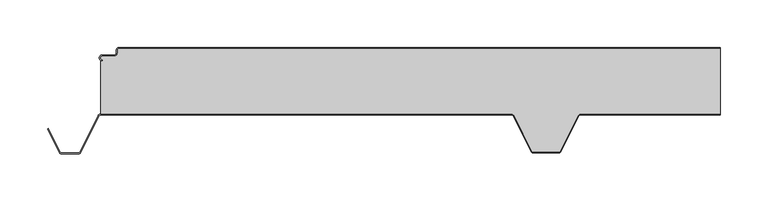
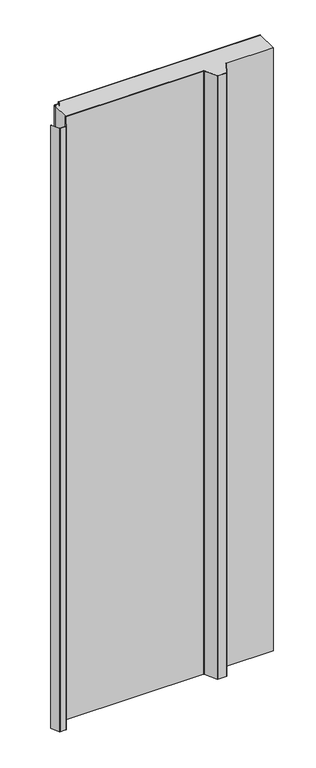
"""IFC4 building model written with IfcOpenShell, lengths in millimetres: proxy geometry."""

from ifc_helpers import new_model, si_unit, point, frame_2d, origin, origin_with_axes, place, context, project, spatial, polyline, circle_curve, trimmed, segment, composite_curve, outline, extrude, source, transform, mapped, element, save


def generic_models_3807de4c(model_context):
    return source(origin(), model_context, "Body", "SweptSolid", [
        extrude(outline(composite_curve([segment(trimmed(circle_curve(frame_2d((-448.7436881, -2.5)), 1.7), [point((-448.7436881, -0.8))], [point((-450.4436881, -2.5))], True, "CARTESIAN"), True, "CONTINUOUS"), segment(polyline([(-450.4436881, -2.5), (-450.4436881, -5.5)]), True, "CONTINUOUS"), segment(trimmed(circle_curve(frame_2d((-453.7436881, -5.5)), 3.3), [point((-450.4436881, -5.5))], [point((-453.7436881, -8.8))], False, "CARTESIAN"), True, "CONTINUOUS"), segment(polyline([(-453.7436881, -8.8), (-466.2436881, -8.8)]), True, "CONTINUOUS"), segment(trimmed(circle_curve(frame_2d((-466.2436881, -11.0)), 2.2), [point((-466.2436881, -8.8))], [point((-466.2436881, -13.2))], True, "CARTESIAN"), True, "CONTINUOUS"), segment(polyline([(-466.2436881, -13.2), (-466.2436881, -14.0)]), True, "CONTINUOUS"), segment(trimmed(circle_curve(frame_2d((-466.2436881, -11.0)), 3.0), [point((-466.2436881, -14.0))], [point((-466.2436881, -8.0))], False, "CARTESIAN"), True, "CONTINUOUS"), segment(polyline([(-466.2436881, -8.0), (-453.7436881, -8.0)]), True, "CONTINUOUS"), segment(trimmed(circle_curve(frame_2d((-453.7436881, -5.5)), 2.5), [point((-453.7436881, -8.0))], [point((-451.2436881, -5.5))], True, "CARTESIAN"), True, "CONTINUOUS"), segment(polyline([(-451.2436881, -5.5), (-451.2436881, -2.5)]), True, "CONTINUOUS"), segment(trimmed(circle_curve(frame_2d((-448.7436881, -2.5)), 2.5), [point((-451.2436881, -2.5))], [point((-448.7436881, 0.0))], False, "CARTESIAN"), True, "CONTINUOUS"), segment(polyline([(-448.7436881, 0.0), (183.0735054, 0.0), (183.0735054, -0.8), (-448.7436881, -0.8)]), True, "CONTINUOUS")], self_intersect=False)), origin_with_axes(), (0.0, 0.0, 1.0), 2000.0),
        extrude(outline(composite_curve([segment(trimmed(circle_curve(frame_2d((-466.2436881, -11.0)), 2.2), [point((-466.2436881, -13.2))], [point((-466.2436881, -8.8))], False, "CARTESIAN"), True, "CONTINUOUS"), segment(polyline([(-466.2436881, -8.8), (-453.7436881, -8.8)]), True, "CONTINUOUS"), segment(trimmed(circle_curve(frame_2d((-453.7436881, -5.5)), 3.3), [point((-453.7436881, -8.8))], [point((-450.4436881, -5.5))], True, "CARTESIAN"), True, "CONTINUOUS"), segment(polyline([(-450.4436881, -5.5), (-450.4436881, -2.5)]), True, "CONTINUOUS"), segment(trimmed(circle_curve(frame_2d((-448.7436881, -2.5)), 1.7), [point((-450.4436881, -2.5))], [point((-448.7436881, -0.8))], False, "CARTESIAN"), True, "CONTINUOUS"), segment(polyline([(-448.7436881, -0.8), (183.0735054, -0.8), (183.0735054, -70.0), (36.4222721, -70.0)]), True, "CONTINUOUS"), segment(trimmed(circle_curve(frame_2d((36.4222721, -73.1)), 3.1), [point((36.4222721, -70.0))], [point((33.6488557, -71.715023))], True, "CARTESIAN"), True, "CONTINUOUS"), segment(polyline([(33.6488557, -71.715023), (14.9197036, -109.2201502)]), True, "CONTINUOUS"), segment(trimmed(circle_curve(frame_2d((13.5777279, -108.55)), 1.5), [point((14.9197036, -109.2201502))], [point((13.5777279, -110.05))], False, "CARTESIAN"), True, "CONTINUOUS"), segment(polyline([(13.5777279, -110.05), (-13.5777279, -110.05)]), True, "CONTINUOUS"), segment(trimmed(circle_curve(frame_2d((-13.5777279, -108.55)), 1.5), [point((-13.5777279, -110.05))], [point((-14.9197036, -109.2201502))], False, "CARTESIAN"), True, "CONTINUOUS"), segment(polyline([(-14.9197036, -109.2201502), (-33.6488557, -71.715023)]), True, "CONTINUOUS"), segment(trimmed(circle_curve(frame_2d((-36.4222721, -73.1)), 3.1), [point((-33.6488557, -71.715023))], [point((-36.4222721, -70.0))], True, "CARTESIAN"), True, "CONTINUOUS"), segment(polyline([(-36.4222721, -70.0), (-467.612692, -70.0), (-467.612692, -13.6694247)]), True, "CONTINUOUS"), segment(trimmed(circle_curve(frame_2d((-466.2436881, -11.0)), 3.0), [point((-467.612692, -13.6694247))], [point((-466.2436881, -14.0))], True, "CARTESIAN"), True, "CONTINUOUS"), segment(polyline([(-466.2436881, -14.0), (-466.2436881, -13.2)]), True, "CONTINUOUS")], self_intersect=False)), origin_with_axes(), (0.0, 0.0, 1.0), 2000.0),
        extrude(outline(composite_curve([segment(polyline([(-523.5365904, -85.7174495), (-522.82087, -85.3600361), (-510.4107041, -110.2113932)]), True, "CONTINUOUS"), segment(trimmed(circle_curve(frame_2d((-509.0687284, -109.541243)), 1.5), [point((-510.4107041, -110.2113932))], [point((-509.0687284, -111.041243))], True, "CARTESIAN"), True, "CONTINUOUS"), segment(polyline([(-509.0687284, -111.041243), (-490.9312716, -111.041243)]), True, "CONTINUOUS"), segment(trimmed(circle_curve(frame_2d((-490.9312716, -109.541243)), 1.5), [point((-490.9312716, -111.041243))], [point((-489.5890038, -110.210808))], True, "CARTESIAN"), True, "CONTINUOUS"), segment(polyline([(-489.5890038, -110.210808), (-470.3867121, -71.7162325)]), True, "CONTINUOUS"), segment(trimmed(circle_curve(frame_2d((-467.612692, -73.1)), 3.1), [point((-470.3867121, -71.7162325))], [point((-467.612692, -70.0))], False, "CARTESIAN"), True, "CONTINUOUS"), segment(polyline([(-467.612692, -70.0), (-36.4222721, -70.0)]), True, "CONTINUOUS"), segment(trimmed(circle_curve(frame_2d((-36.4222721, -73.1)), 3.1), [point((-36.4222721, -70.0))], [point((-33.6488557, -71.715023))], False, "CARTESIAN"), True, "CONTINUOUS"), segment(polyline([(-33.6488557, -71.715023), (-14.9197036, -109.2201502)]), True, "CONTINUOUS"), segment(trimmed(circle_curve(frame_2d((-13.5777279, -108.55)), 1.5), [point((-14.9197036, -109.2201502))], [point((-13.5777279, -110.05))], True, "CARTESIAN"), True, "CONTINUOUS"), segment(polyline([(-13.5777279, -110.05), (13.5777279, -110.05)]), True, "CONTINUOUS"), segment(trimmed(circle_curve(frame_2d((13.5777279, -108.55)), 1.5), [point((13.5777279, -110.05))], [point((14.9197036, -109.2201502))], True, "CARTESIAN"), True, "CONTINUOUS"), segment(polyline([(14.9197036, -109.2201502), (33.6488557, -71.715023)]), True, "CONTINUOUS"), segment(trimmed(circle_curve(frame_2d((36.4222721, -73.1)), 3.1), [point((33.6488557, -71.715023))], [point((36.4222721, -70.0))], False, "CARTESIAN"), True, "CONTINUOUS"), segment(polyline([(36.4222721, -70.0), (183.0735054, -70.0), (183.0735054, -70.8), (36.4222721, -70.8)]), True, "CONTINUOUS"), segment(trimmed(circle_curve(frame_2d((36.4222721, -73.1)), 2.3), [point((36.4222721, -70.8))], [point((34.3645761, -72.0724364))], True, "CARTESIAN"), True, "CONTINUOUS"), segment(polyline([(34.3645761, -72.0724364), (15.6354239, -109.5775636)]), True, "CONTINUOUS"), segment(trimmed(circle_curve(frame_2d((13.5777279, -108.55)), 2.3), [point((15.6354239, -109.5775636))], [point((13.5777279, -110.85))], False, "CARTESIAN"), True, "CONTINUOUS"), segment(polyline([(13.5777279, -110.85), (-13.5777279, -110.85)]), True, "CONTINUOUS"), segment(trimmed(circle_curve(frame_2d((-13.5777279, -108.55)), 2.3), [point((-13.5777279, -110.85))], [point((-15.6354239, -109.5775636))], False, "CARTESIAN"), True, "CONTINUOUS"), segment(polyline([(-15.6354239, -109.5775636), (-34.3645761, -72.0724364)]), True, "CONTINUOUS"), segment(trimmed(circle_curve(frame_2d((-36.4222721, -73.1)), 2.3), [point((-34.3645761, -72.0724364))], [point((-36.4222721, -70.8))], True, "CARTESIAN"), True, "CONTINUOUS"), segment(polyline([(-36.4222721, -70.8), (-467.612692, -70.8)]), True, "CONTINUOUS"), segment(trimmed(circle_curve(frame_2d((-467.612692, -73.1)), 2.3), [point((-467.612692, -70.8))], [point((-469.6708359, -72.0733338))], True, "CARTESIAN"), True, "CONTINUOUS"), segment(polyline([(-469.6708359, -72.0733338), (-488.8731276, -110.5679093)]), True, "CONTINUOUS"), segment(trimmed(circle_curve(frame_2d((-490.9312716, -109.541243)), 2.3), [point((-488.8731276, -110.5679093))], [point((-490.9312716, -111.841243))], False, "CARTESIAN"), True, "CONTINUOUS"), segment(polyline([(-490.9312716, -111.841243), (-509.0687284, -111.841243)]), True, "CONTINUOUS"), segment(trimmed(circle_curve(frame_2d((-509.0687284, -109.541243)), 2.3), [point((-509.0687284, -111.841243))], [point((-511.1264245, -110.5688066))], False, "CARTESIAN"), True, "CONTINUOUS"), segment(polyline([(-511.1264245, -110.5688066), (-523.5365904, -85.7174495)]), True, "CONTINUOUS")], self_intersect=False)), origin_with_axes(), (0.0, 0.0, 1.0), 2000.0),
    ])


if __name__ == "__main__":
    model = new_model("IFC4")
    model_context = context("Model", 3, world=origin())
    ifc_project = project(units=[si_unit("LENGTHUNIT", "METRE", prefix="MILLI")], contexts=[model_context])
    site = spatial("IfcSite", under=ifc_project)
    building = spatial("IfcBuilding", under=site)
    placement = place(None, origin())
    generic_models_shape = generic_models_3807de4c(model_context)
    element("IfcBuildingElementProxy", 1, Name="Generic Models", at=placement, inside=building, context=model_context, shape_type="MappedRepresentation", body=[
        mapped(generic_models_shape, transform((0.0, 0.0, 0.0), x_axis=(1.0, 0.0, 0.0), y_axis=(0.0, 1.0, 0.0), z_axis=(0.0, 0.0, 1.0))),
    ])
    save(model, "model.ifc")
